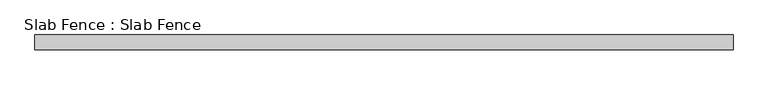
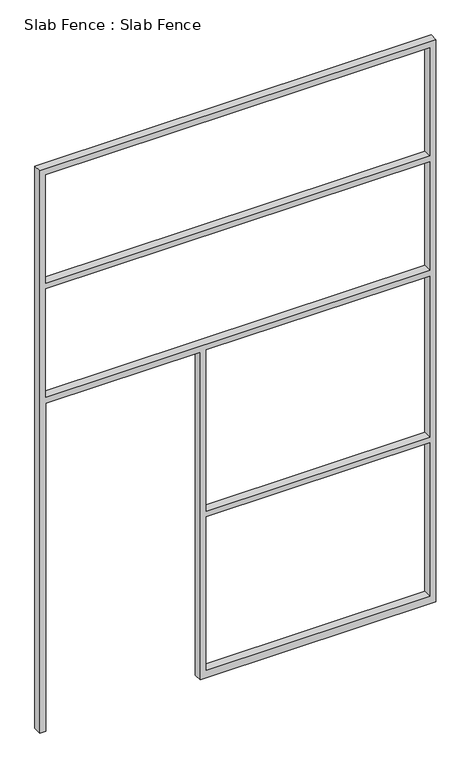
"""IFC4 building model written with IfcOpenShell, lengths in millimetres: proxy geometry, Slab Fence : Slab Fence."""

import ifcopenshell
import ifcopenshell.guid

model = None  # the IFC model being written
_history = None  # IfcOwnerHistory: only IFC2X3 demands one
_inside = {}  # id of a spatial element -> (the spatial element, [elements in it])
_under = {}  # id of a project, library or spatial element -> (it, [spatial elements below it])
_declared = {}  # id of a project -> (the project, [libraries it declares])
_typed = {}  # id of a type object -> (the type object, [elements of that type])
_made_of = {}  # id of a material, layer set ... -> (it, [elements and type objects made of it])


def new_model(schema):
    """Start an empty IFC model of exactly this schema.

    Asked for "IFC4X3", IfcOpenShell would pick the latest addendum, in which some entities
    have other attributes; the version numbers below select the first issue.
    IFC2X3 requires an IfcOwnerHistory on every rooted entity: one is made here for all.
    """
    global model, _history
    if schema == "IFC4X3":
        model = ifcopenshell.file(schema_version=(4, 3, 0, 0))
    else:
        model = ifcopenshell.file(schema=schema)
    _inside.clear()
    _under.clear()
    _declared.clear()
    _typed.clear()
    _made_of.clear()
    _history = None
    if model.schema == "IFC2X3":
        org = make("IfcOrganization", Name="unknown")
        user = make(
            "IfcPersonAndOrganization",
            ThePerson=make("IfcPerson", FamilyName="unknown"),
            TheOrganization=org,
        )
        app = make(
            "IfcApplication",
            ApplicationDeveloper=org,
            Version="unknown",
            ApplicationFullName="unknown",
            ApplicationIdentifier="unknown",
        )
        _history = make(
            "IfcOwnerHistory",
            OwningUser=user,
            OwningApplication=app,
            ChangeAction="ADDED",
            CreationDate=0,
        )
    return model


def make(cls, **values):
    """One entity of the class cls with the attributes given. An attribute that is None is left unset."""
    return model.create_entity(
        cls, **{name: value for name, value in values.items() if value is not None}
    )


def rooted(cls, **values):
    """An entity with a GlobalId (a new one), such as an element, a storey or a relation."""
    return make(cls, GlobalId=ifcopenshell.guid.new(), OwnerHistory=_history, **values)


def si_unit(unit_type, name, prefix=None):
    """IfcSIUnit, for example si_unit("LENGTHUNIT", "METRE", prefix="MILLI")."""
    return make("IfcSIUnit", UnitType=unit_type, Prefix=prefix, Name=name)


def assignment(units):
    """IfcUnitAssignment: the units of a project."""
    return None if units is None else make("IfcUnitAssignment", Units=units)


def point(xyz):
    """IfcCartesianPoint."""
    return None if xyz is None else make("IfcCartesianPoint", Coordinates=xyz)


def direction(xyz):
    """IfcDirection."""
    return None if xyz is None else make("IfcDirection", DirectionRatios=xyz)


def frame(location, z_axis=None, x_axis=None):
    """IfcAxis2Placement3D, a coordinate frame: its origin and axes. An axis left out is left unset."""
    return make(
        "IfcAxis2Placement3D",
        Location=point(location),
        Axis=direction(z_axis),
        RefDirection=direction(x_axis),
    )


def origin():
    """The frame at (0, 0, 0) with its axes left unset."""
    return frame((0.0, 0.0, 0.0))


def place(relative_to, where):
    """IfcLocalPlacement: puts the frame where relative to a parent placement (None: the world)."""
    return make(
        "IfcLocalPlacement", PlacementRelTo=relative_to, RelativePlacement=where
    )


def context(
    kind, dimensions, precision=None, world=None, true_north=None, identifier=None
):
    """IfcGeometricRepresentationContext, for example the 3D "Model" context."""
    return make(
        "IfcGeometricRepresentationContext",
        ContextIdentifier=identifier,
        ContextType=kind,
        CoordinateSpaceDimension=dimensions,
        Precision=precision,
        WorldCoordinateSystem=world,
        TrueNorth=true_north,
    )


def project(units=None, contexts=None):
    """IfcProject with its units and contexts."""
    return rooted(
        "IfcProject",
        Name="project",
        RepresentationContexts=contexts,
        UnitsInContext=assignment(units),
    )


def spatial(cls, under=None, at=None, **own):
    """A site, building, storey or space (cls), placed at a placement, below another one or the project."""
    s = rooted(cls, ObjectPlacement=at, **own)
    if under is not None:
        _under.setdefault(under.id(), (under, []))[1].append(s)
    return s


def polyline(points):
    """IfcPolyline through the points."""
    return make("IfcPolyline", Points=[point(p) for p in points])


def outline(outer, holes=None, kind="AREA"):
    """IfcArbitraryClosedProfileDef: a profile drawn as a closed curve; with holes, ...WithVoids."""
    if holes is None:
        return make("IfcArbitraryClosedProfileDef", ProfileType=kind, OuterCurve=outer)
    return make(
        "IfcArbitraryProfileDefWithVoids",
        ProfileType=kind,
        OuterCurve=outer,
        InnerCurves=holes,
    )


def extrude(swept, where, along, depth):
    """IfcExtrudedAreaSolid: the profile swept, set in the frame where, extruded along a direction by depth."""
    return make(
        "IfcExtrudedAreaSolid",
        SweptArea=swept,
        Position=where,
        ExtrudedDirection=direction(along),
        Depth=depth,
    )


def shape(context_of_items, identifier, shape_type, items):
    """IfcShapeRepresentation: the items that make up one representation, for example the "Body"."""
    return make(
        "IfcShapeRepresentation",
        ContextOfItems=context_of_items,
        RepresentationIdentifier=identifier,
        RepresentationType=shape_type,
        Items=items,
    )


def source(mapping_origin, context_of_items, identifier, shape_type, items):
    """IfcRepresentationMap: a shape defined once, which mapped items show again and again."""
    return make(
        "IfcRepresentationMap",
        MappingOrigin=mapping_origin,
        MappedRepresentation=shape(context_of_items, identifier, shape_type, items),
    )


def transform(
    local_origin,
    x_axis=None,
    y_axis=None,
    z_axis=None,
    scale=None,
    scale2=None,
    scale3=None,
    uniform=True,
):
    """IfcCartesianTransformationOperator3D, or its non-uniform kind. x_axis, y_axis, z_axis: its Axis1, 2, 3."""
    if uniform:
        return make(
            "IfcCartesianTransformationOperator3D",
            Axis1=direction(x_axis),
            Axis2=direction(y_axis),
            LocalOrigin=point(local_origin),
            Scale=scale,
            Axis3=direction(z_axis),
        )
    return make(
        "IfcCartesianTransformationOperator3DnonUniform",
        Axis1=direction(x_axis),
        Axis2=direction(y_axis),
        LocalOrigin=point(local_origin),
        Scale=scale,
        Axis3=direction(z_axis),
        Scale2=scale2,
        Scale3=scale3,
    )


def mapped(mapping_source, mapping_target):
    """IfcMappedItem: shows the shape of a source again, moved by a transform."""
    return make(
        "IfcMappedItem", MappingSource=mapping_source, MappingTarget=mapping_target
    )


def made_of(thing, what):
    """Note that an element or type object is made of a material, layer set ...; save() writes the relation."""
    if what is not None:
        _made_of.setdefault(what.id(), (what, []))[1].append(thing)
    return thing


def element(
    cls,
    number,
    at=None,
    inside=None,
    cuts=None,
    type_object=None,
    material=None,
    context=None,
    identifier="Body",
    shape_type=None,
    held_by="IfcProductDefinitionShape",
    body=None,
    shapes=None,
    **own,
):
    """One element of the class cls, such as IfcWall. Its Tag is "e" and its number.

    at: its placement. inside: the storey or other place that contains it. cuts: it is an
    opening in that element (IfcRelVoidsElement). A single representation is given by context,
    identifier, shape_type and body (its items); several are given by shapes. held_by: the class
    of the entity that holds the representations. save() writes the other relations.
    """
    e = rooted(cls, Tag="e%d" % number, ObjectPlacement=at, **own)
    if body is not None:
        shapes = [shape(context, identifier, shape_type, body)]
    if shapes is not None:
        e.Representation = make(held_by, Representations=shapes)
    if inside is not None:
        _inside.setdefault(inside.id(), (inside, []))[1].append(e)
    if cuts is not None:
        rooted(
            "IfcRelVoidsElement", RelatingBuildingElement=cuts, RelatedOpeningElement=e
        )
    if type_object is not None:
        _typed.setdefault(type_object.id(), (type_object, []))[1].append(e)
    return made_of(e, material)


def aggregate(whole, parts):
    """IfcRelAggregates: a whole, such as a stair, and the parts it consists of."""
    return rooted("IfcRelAggregates", RelatingObject=whole, RelatedObjects=parts)


def save(model, path):
    """Write the relations noted so far, then the file.

    IfcRelAggregates (storeys below a building ...), IfcRelContainedInSpatialStructure (elements
    in a storey), IfcRelDefinesByType, IfcRelAssociatesMaterial and IfcRelDeclares: one each for
    every whole, place, type object, material and project.
    """
    for whole, parts in _under.values():
        aggregate(whole, parts)
    for where, things in _inside.values():
        rooted(
            "IfcRelContainedInSpatialStructure",
            RelatedElements=things,
            RelatingStructure=where,
        )
    for kind, things in _typed.values():
        rooted("IfcRelDefinesByType", RelatedObjects=things, RelatingType=kind)
    for what, things in _made_of.values():
        rooted("IfcRelAssociatesMaterial", RelatedObjects=things, RelatingMaterial=what)
    for by, libraries in _declared.values():
        rooted("IfcRelDeclares", RelatingContext=by, RelatedDefinitions=libraries)
    model.write(path)


def slab_fence_slab_fence_4cfdc2c5(model_context):
    return source(origin(), model_context, "Body", "SweptSolid", [
        extrude(outline(polyline([(3657.6, -8585.0695328), (0.0, -8585.0695328), (0.0, -8546.9695328), (2133.6, -8546.9695328), (2133.6, -7597.6445328), (0.0, -7597.6445328), (0.0, -7559.5445328), (0.0, -6146.6695328), (3657.6, -6146.6695328), (3657.6, -8585.0695328)]), holes=[polyline([(2876.55, -8546.9695328), (2876.55, -6184.7695328), (2171.7, -6184.7695328), (2171.7, -8546.9695328), (2876.55, -8546.9695328)]), polyline([(3619.5, -6184.7695328), (2914.65, -6184.7695328), (2914.65, -8546.9695328), (3619.5, -8546.9695328), (3619.5, -6184.7695328)]), polyline([(1085.85, -7559.5445328), (2133.6, -7559.5445328), (2133.6, -6184.7695328), (1085.85, -6184.7695328), (1085.85, -7559.5445328)]), polyline([(1047.75, -6184.7695328), (50.8, -6184.7695328), (50.8, -7559.5445328), (1047.75, -7559.5445328), (1047.75, -6184.7695328)])]), frame((0.0, 38551.5634958, 0.0), z_axis=(0.0, 1.0, 0.0), x_axis=(0.0, 0.0, 1.0)), (0.0, 0.0, 1.0), 52.001598),
    ])


if __name__ == "__main__":
    model = new_model("IFC4")
    model_context = context("Model", 3, world=origin())
    ifc_project = project(units=[si_unit("LENGTHUNIT", "METRE", prefix="MILLI")], contexts=[model_context])
    site = spatial("IfcSite", under=ifc_project)
    building = spatial("IfcBuilding", under=site)
    placement = place(None, origin())
    slab_fence_slab_fence_shape = slab_fence_slab_fence_4cfdc2c5(model_context)
    element("IfcBuildingElementProxy", 1, Name="Slab Fence : Slab Fence", ObjectType="Slab Fence : Slab Fence", at=placement, inside=building, context=model_context, shape_type="MappedRepresentation", body=[
        mapped(slab_fence_slab_fence_shape, transform((0.0, 0.0, 0.0), x_axis=(1.0, 0.0, 0.0), y_axis=(0.0, 1.0, 0.0), z_axis=(0.0, 0.0, 1.0))),
    ])
    save(model, "model.ifc")
